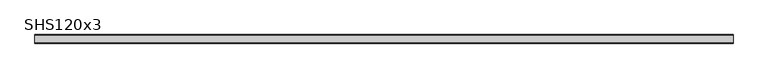
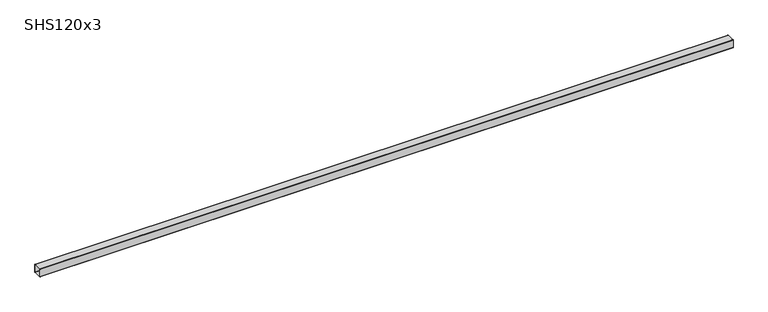
"""IFC4 building model written with IfcOpenShell, lengths in millimetres: beam geometry, SHS120x3."""

from ifc_helpers import new_model, si_unit, point, frame, frame_2d, origin, place, context, project, spatial, polyline, circle_curve, trimmed, segment, composite_curve, outline, extrude, source, transform, mapped, element, save


def shs120x3_38c836e7(model_context):
    return source(origin(), model_context, "Body", "SweptSolid", [
        extrude(outline(composite_curve([segment(polyline([(60.0, 54.0), (60.0, -54.0)]), True, "CONTINUOUS"), segment(trimmed(circle_curve(frame_2d((54.0, -54.0)), 6.0), [point((60.0, -54.0))], [point((54.0, -60.0))], False, "CARTESIAN"), True, "CONTINUOUS"), segment(polyline([(54.0, -60.0), (-54.0, -60.0)]), True, "CONTINUOUS"), segment(trimmed(circle_curve(frame_2d((-54.0, -54.0)), 6.0), [point((-54.0, -60.0))], [point((-60.0, -54.0))], False, "CARTESIAN"), True, "CONTINUOUS"), segment(polyline([(-60.0, -54.0), (-60.0, 54.0)]), True, "CONTINUOUS"), segment(trimmed(circle_curve(frame_2d((-54.0, 54.0)), 6.0), [point((-60.0, 54.0))], [point((-54.0, 60.0))], False, "CARTESIAN"), True, "CONTINUOUS"), segment(polyline([(-54.0, 60.0), (54.0, 60.0)]), True, "CONTINUOUS"), segment(trimmed(circle_curve(frame_2d((54.0, 54.0)), 6.0), [point((54.0, 60.0))], [point((60.0, 54.0))], False, "CARTESIAN"), True, "CONTINUOUS")], self_intersect=False), holes=[composite_curve([segment(trimmed(circle_curve(frame_2d((-54.0, 54.0)), 3.0), [point((-54.0, 57.0))], [point((-57.0, 54.0))], True, "CARTESIAN"), True, "CONTINUOUS"), segment(polyline([(-57.0, 54.0), (-57.0, -54.0)]), True, "CONTINUOUS"), segment(trimmed(circle_curve(frame_2d((-54.0, -54.0)), 3.0), [point((-57.0, -54.0))], [point((-54.0, -57.0))], True, "CARTESIAN"), True, "CONTINUOUS"), segment(polyline([(-54.0, -57.0), (54.0, -57.0)]), True, "CONTINUOUS"), segment(trimmed(circle_curve(frame_2d((54.0, -54.0)), 3.0), [point((54.0, -57.0))], [point((57.0, -54.0))], True, "CARTESIAN"), True, "CONTINUOUS"), segment(polyline([(57.0, -54.0), (57.0, 54.0)]), True, "CONTINUOUS"), segment(trimmed(circle_curve(frame_2d((54.0, 54.0)), 3.0), [point((57.0, 54.0))], [point((54.0, 57.0))], True, "CARTESIAN"), True, "CONTINUOUS"), segment(polyline([(54.0, 57.0), (-54.0, 57.0)]), True, "CONTINUOUS")], self_intersect=False)]), frame((-4861.0, 0.0, 0.0), z_axis=(1.0, 0.0, 0.0), x_axis=(0.0, 1.0, 0.0)), (0.0, 0.0, 1.0), 9748.0),
    ])


if __name__ == "__main__":
    model = new_model("IFC4")
    model_context = context("Model", 3, world=origin())
    ifc_project = project(units=[si_unit("LENGTHUNIT", "METRE", prefix="MILLI")], contexts=[model_context])
    site = spatial("IfcSite", under=ifc_project)
    building = spatial("IfcBuilding", under=site)
    placement = place(None, origin())
    shs120x3_shape = shs120x3_38c836e7(model_context)
    element("IfcBeam", 1, ObjectType="SHS120x3", at=placement, inside=building, context=model_context, shape_type="MappedRepresentation", body=[
        mapped(shs120x3_shape, transform((0.0, 0.0, 0.0), x_axis=(1.0, 0.0, 0.0), y_axis=(0.0, 1.0, 0.0), z_axis=(0.0, 0.0, 1.0))),
    ])
    save(model, "model.ifc")
